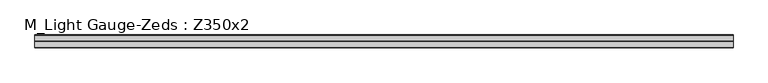
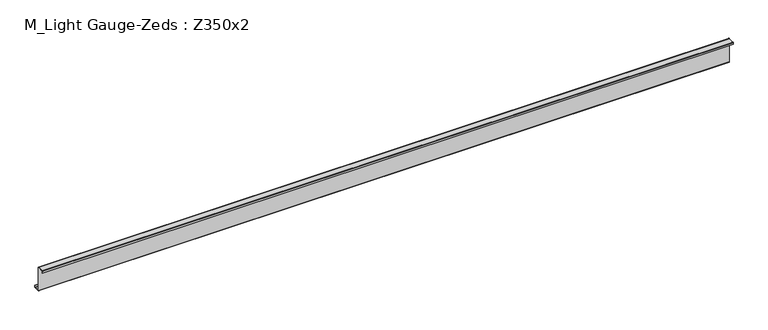
"""IFC4 building model written with IfcOpenShell, lengths in millimetres: beam geometry, M_Light Gauge-Zeds : Z350x2."""

from ifc_helpers import new_model, si_unit, point, frame, frame_2d, origin, place, context, project, spatial, polyline, circle_curve, trimmed, segment, composite_curve, outline, extrude, source, transform, mapped, element, save


def m_light_gauge_zeds_z350x2_5b9d89e2(model_context):
    return source(origin(), model_context, "Body", "SweptSolid", [
        extrude(outline(composite_curve([segment(polyline([(0.0, -171.0), (0.0, 171.0)]), True, "CONTINUOUS"), segment(trimmed(circle_curve(frame_2d((-2.0, 171.0)), 2.0), [point((0.0, 171.0))], [point((-2.0, 173.0))], True, "CARTESIAN"), True, "CONTINUOUS"), segment(polyline([(-2.0, 173.0), (-90.0, 173.0)]), True, "CONTINUOUS"), segment(trimmed(circle_curve(frame_2d((-90.0, 171.0)), 2.0), [point((-90.0, 173.0))], [point((-92.0, 171.0))], True, "CARTESIAN"), True, "CONTINUOUS"), segment(polyline([(-92.0, 171.0), (-92.0, 145.0), (-94.0, 145.0), (-94.0, 171.0)]), True, "CONTINUOUS"), segment(trimmed(circle_curve(frame_2d((-90.0, 171.0)), 4.0), [point((-94.0, 171.0))], [point((-90.0, 175.0))], False, "CARTESIAN"), True, "CONTINUOUS"), segment(polyline([(-90.0, 175.0), (-2.0, 175.0)]), True, "CONTINUOUS"), segment(trimmed(circle_curve(frame_2d((-2.0, 171.0)), 4.0), [point((-2.0, 175.0))], [point((2.0, 171.0))], False, "CARTESIAN"), True, "CONTINUOUS"), segment(polyline([(2.0, 171.0), (2.0, -171.0)]), True, "CONTINUOUS"), segment(trimmed(circle_curve(frame_2d((4.0, -171.0)), 2.0), [point((2.0, -171.0))], [point((4.0, -173.0))], True, "CARTESIAN"), True, "CONTINUOUS"), segment(polyline([(4.0, -173.0), (82.0, -173.0)]), True, "CONTINUOUS"), segment(trimmed(circle_curve(frame_2d((82.0, -171.0)), 2.0), [point((82.0, -173.0))], [point((84.0, -171.0))], True, "CARTESIAN"), True, "CONTINUOUS"), segment(polyline([(84.0, -171.0), (84.0, -145.0), (86.0, -145.0), (86.0, -171.0)]), True, "CONTINUOUS"), segment(trimmed(circle_curve(frame_2d((82.0, -171.0)), 4.0), [point((86.0, -171.0))], [point((82.0, -175.0))], False, "CARTESIAN"), True, "CONTINUOUS"), segment(polyline([(82.0, -175.0), (4.0, -175.0)]), True, "CONTINUOUS"), segment(trimmed(circle_curve(frame_2d((4.0, -171.0)), 4.0), [point((4.0, -175.0))], [point((0.0, -171.0))], False, "CARTESIAN"), True, "CONTINUOUS")], self_intersect=False)), frame((-4887.3, 0.0, 0.0), z_axis=(1.0, 0.0, 0.0), x_axis=(0.0, 1.0, 0.0)), (0.0, 0.0, 1.0), 9605.2567114),
    ])


if __name__ == "__main__":
    model = new_model("IFC4")
    model_context = context("Model", 3, world=origin())
    ifc_project = project(units=[si_unit("LENGTHUNIT", "METRE", prefix="MILLI")], contexts=[model_context])
    site = spatial("IfcSite", under=ifc_project)
    building = spatial("IfcBuilding", under=site)
    placement = place(None, origin())
    m_light_gauge_zeds_z350x2_shape = m_light_gauge_zeds_z350x2_5b9d89e2(model_context)
    element("IfcBeam", 1, ObjectType="M_Light Gauge-Zeds : Z350x2", at=placement, inside=building, context=model_context, shape_type="MappedRepresentation", body=[
        mapped(m_light_gauge_zeds_z350x2_shape, transform((0.0, 0.0, 0.0), x_axis=(1.0, 0.0, 0.0), y_axis=(0.0, 1.0, 0.0), z_axis=(0.0, 0.0, 1.0))),
    ])
    save(model, "model.ifc")
